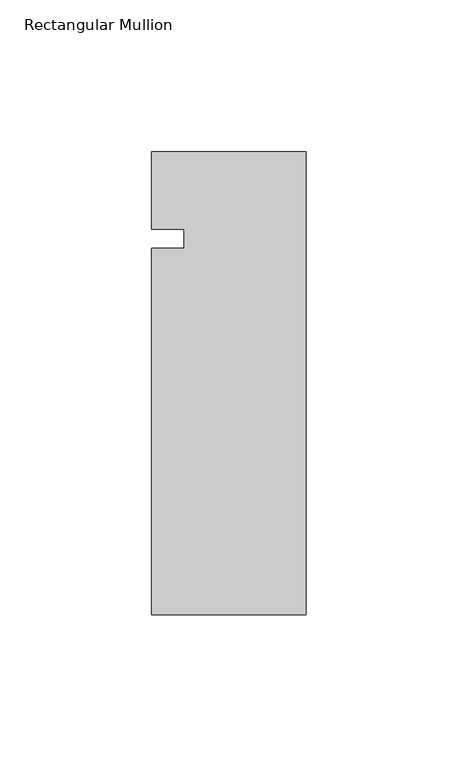
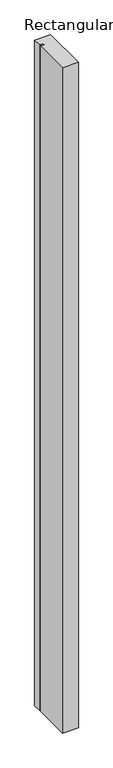
"""IFC4 building model written with IfcOpenShell, lengths in millimetres: member geometry, Rectangular Mullion."""

from ifc_helpers import new_model, si_unit, frame, origin, place, context, project, spatial, polyline, outline, extrude, source, transform, mapped, element, save


def rectangular_mullion_64328b0f(model_context):
    return source(origin(), model_context, "Body", "SweptSolid", [
        extrude(outline(polyline([(0.0, -152.4), (-50.8, -152.4), (-50.8, -31.75), (-40.0803063, -31.75), (-40.0803063, -25.4), (-50.8, -25.4), (-50.8, 0.0), (0.0, 0.0), (0.0, -152.4)])), frame((0.0, 0.0, -2235.199416), z_axis=(0.0, 0.0, 1.0), x_axis=(1.0, 0.0, 0.0)), (0.0, 0.0, 1.0), 2235.199416),
    ])


if __name__ == "__main__":
    model = new_model("IFC4")
    model_context = context("Model", 3, world=origin())
    ifc_project = project(units=[si_unit("LENGTHUNIT", "METRE", prefix="MILLI")], contexts=[model_context])
    site = spatial("IfcSite", under=ifc_project)
    building = spatial("IfcBuilding", under=site)
    placement = place(None, origin())
    rectangular_mullion_shape = rectangular_mullion_64328b0f(model_context)
    element("IfcMember", 1, ObjectType="Rectangular Mullion", at=placement, inside=building, context=model_context, shape_type="MappedRepresentation", body=[
        mapped(rectangular_mullion_shape, transform((0.0, 0.0, 0.0), x_axis=(1.0, 0.0, 0.0), y_axis=(0.0, 1.0, 0.0), z_axis=(0.0, 0.0, 1.0))),
    ])
    save(model, "model.ifc")
